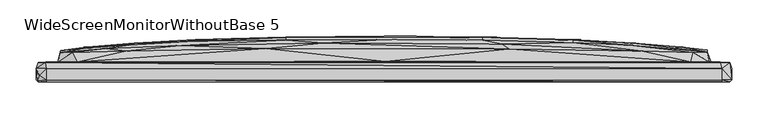
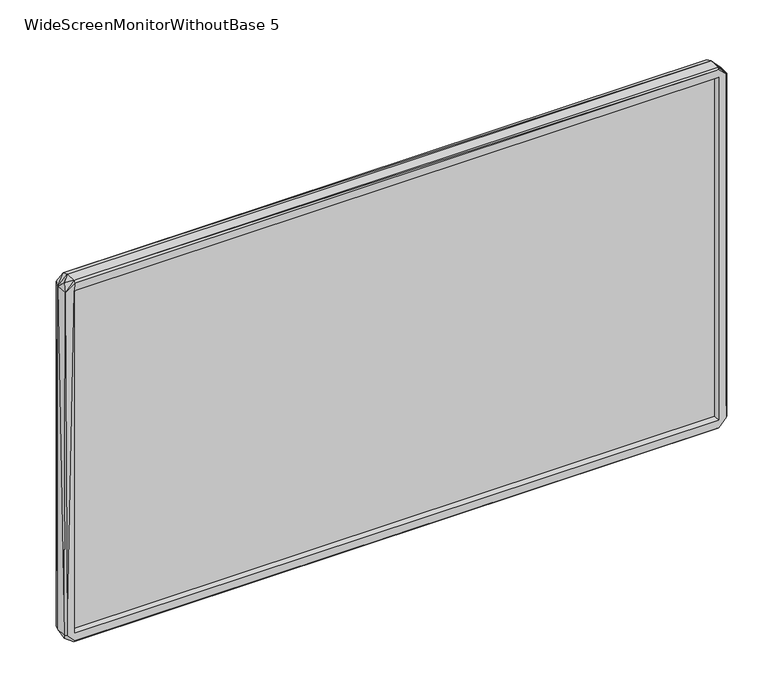
"""IFC4 building model written with IfcOpenShell, lengths in millimetres: furniture geometry, WideScreenMonitorWithoutBase 5."""

from ifc_helpers import new_model, si_unit, origin, place, context, project, spatial, triangles, source, transform, mapped, element, save


def widescreenmonitorwithoutbase_5_53e2181e(model_context):
    return source(origin(), model_context, "Body", "Tessellation", [
        triangles([(463.3285503, 4.1465671, 17.551227), (463.3285503, 4.1464768, 535.40075), (463.3285503, 1.8465673, 17.551227), (463.3285503, 1.8464767, 535.40075), (-463.2796071, 1.8466699, 535.40075), (-463.2796071, 4.1466704, 535.40075), (-463.2796071, 4.1467607, 17.551227), (-463.2796071, 1.8467606, 17.551227)], [[1, 2, 3], [3, 2, 4], [5, 4, 2], [5, 2, 6], [7, 1, 3], [7, 3, 8], [7, 6, 1], [7, 8, 5], [7, 5, 6], [8, 3, 4], [8, 4, 5], [1, 6, 2]]),
        triangles([(-479.8060329, 14.5200973, 14.4410267), (-479.8060329, -1.2799023, 14.4410233), (-479.706039, 14.5200065, 538.7084332), (-476.9060283, 22.9200967, 13.6410267), (-476.1060408, 5.2200983, 4.5410246), (-477.0060585, 22.9200036, 540.3084083), (-477.1060524, -4.0799026, 14.241023), (-478.6060335, -2.4799943, 538.7084332), (-466.3060212, -4.0799049, 14.241023), (-466.3060212, -4.0799966, 538.7084332), (-466.0060395, -4.0799029, 2.6410228), (-466.0060395, -1.2799028, 0.0410235), (-449.8060472, 23.4200844, 48.4410249), (-418.9998608, 23.5200851, 25.7410251), (-468.7060564, 22.9200967, 3.3410277), (-466.0060395, 14.5200973, 0.0410263), (463.8052291, 22.9199037, 2.7410274), (466.2052279, -4.0800976, 2.7410226), (466.3052218, -4.0800996, 14.241023), (-463.3060226, 1.8200935, 17.5410226), (463.3052233, 1.8199002, 17.5410226), (466.2052279, -1.2800972, 0.0410235), (466.2052279, 14.5199043, 0.0410263), (-463.3060226, 7.8200929, 17.5410248), (-463.3060226, 7.8200015, 535.408453), (-463.3060226, 1.820003, 535.408453), (463.3052233, 7.8198993, 17.5410248), (-11.5504033, 7.9199563, 272.5247353), (-449.8060472, 23.4200072, 504.5084496), (-445.806037, 36.9856649, 70.7977725), (-428.3998684, 36.1856637, 33.941031), (-445.9060309, 39.1856078, 386.238234), (422.1990478, 23.5199079, 25.7410251), (-395.6998658, 37.1856617, 29.5410293), (3.0496024, 42.1855791, 29.5410316), (330.3928782, 38.9855065, 29.5410316), (427.6990754, 36.1854843, 33.4410297), (448.4052243, 23.4199004, 45.2410249), (476.9052289, 22.9198991, 14.9410268), (445.8052377, 37.0854771, 73.2977698), (450.5052415, 23.9198631, 245.6679807), (463.3052233, 7.8198079, 535.408453), (463.3052233, 1.8198097, 535.408453), (475.8052234, 4.6199002, 4.0410245), (479.8052336, -1.2801025, 14.2410241), (477.2052106, -4.0801019, 14.5410229), (466.3052218, -4.0801913, 538.7084332), (479.8052336, 14.5198986, 14.341026), (477.1052167, 22.919806, 539.5083844), (479.8052336, 14.5198066, 538.4084152), (479.6052458, -1.2801943, 539.0084513), (477.0052228, -4.0801941, 540.6083899), (-337.5936378, 47.1856327, 128.654529), (-275.5813075, 40.1856331, 29.5410316), (-160.8689053, 48.4856034, 75.9977685), (-260.4813025, 50.585616, 128.554526), (82.961951, 49.28555, 75.9977685), (281.9867123, 46.2855105, 80.4977755), (354.3929031, 46.1854849, 127.6545264), (410.0990596, 42.6854714, 144.8545122), (-445.9060309, 39.5856424, 186.1112417), (-410.099859, 44.385622, 247.8680099), (-342.5936597, 49.3856166, 203.3680009), (-135.2689145, 53.5855873, 129.3545226), (0.0496062, 54.4855596, 128.7545138), (135.2681969, 53.4855298, 127.5545234), (260.4805213, 52.5854939, 176.4112524), (445.9052316, 39.4854578, 176.811228), (445.9052316, 39.6854319, 351.1814713), (445.8052377, 36.9854037, 481.851693), (-260.4813025, 53.5856009, 203.3680009), (-135.2689145, 57.0855735, 203.3680009), (0.0496069, 58.1855427, 203.3680009), (135.2681969, 57.0855145, 203.3680009), (344.9928592, 49.1854743, 203.3680009), (410.0990596, 44.3854448, 304.1814876), (260.4805213, 54.4854779, 276.3247577), (343.7928961, 49.9854618, 276.3247577), (448.7052423, 23.4198187, 506.7084606), (-343.7936591, 49.9856026, 276.3247577), (-344.9936585, 49.1855924, 349.1814843), (-410.099859, 42.6855986, 406.4949918), (-260.4813025, 54.4855914, 276.3247577), (-135.2689145, 58.0855624, 276.3247577), (0.0496072, 59.2855346, 276.3247577), (135.2681969, 58.0855034, 276.3247577), (-260.4813025, 52.5855666, 376.2382267), (-135.2689145, 57.0855508, 349.1814843), (0.0496069, 58.18552, 349.1814843), (135.2681969, 57.0854918, 349.1814843), (260.4805213, 53.5854647, 349.1814843), (342.5928603, 49.385453, 349.1814843), (-350.8936618, 46.7855799, 417.3949805), (-135.2689145, 53.4855344, 424.9949527), (0.0496062, 54.4855051, 423.8949835), (135.2681969, 53.5854783, 423.2949474), (260.4805213, 50.5854525, 424.0949713), (337.5928748, 47.1854374, 423.8949835), (-445.7060431, 36.5855916, 491.5516823), (-280.8874879, 46.2855605, 472.5517156), (-383.6998715, 41.8855793, 473.6516848), (-83.3627532, 49.2855182, 476.6516833), (162.3681961, 48.3854687, 476.6516833), (355.8928843, 38.4854143, 523.2084346), (426.6990274, 36.1854026, 519.3084546), (-430.2060445, 36.185582, 517.608413), (-356.2936592, 38.4855642, 523.2084346), (-163.2689042, 41.6855233, 523.2084346), (172.7681972, 41.5854522, 523.2084346), (-475.8060227, 4.6200035, 548.9084284), (-466.3060212, 14.5200008, 552.8084084), (-467.206039, 22.9199991, 550.0084339), (-466.1060334, -1.2799994, 552.9084386), (-466.1060334, -4.0799988, 550.2083854), (-422.999871, 23.5199965, 526.9083904), (1.8495987, 24.3199068, 527.5084265), (464.205241, 22.919806, 550.2083854), (466.2052279, 14.5198066, 552.8084084), (466.0052402, -4.0801936, 550.3084156), (466.1052341, -1.2801937, 552.9084386), (422.8990414, 23.5198216, 527.1084146)], [[1, 2, 3], [1, 4, 5], [1, 5, 2], [1, 3, 6], [1, 6, 4], [2, 7, 8], [2, 5, 7], [2, 8, 3], [7, 9, 10], [7, 11, 9], [7, 5, 12], [7, 12, 11], [7, 10, 8], [4, 13, 14], [4, 14, 15], [4, 6, 13], [4, 15, 5], [5, 15, 16], [5, 16, 12], [15, 14, 17], [15, 17, 16], [9, 11, 18], [9, 18, 19], [9, 20, 10], [9, 21, 20], [9, 19, 21], [11, 12, 22], [11, 22, 18], [12, 16, 23], [12, 23, 22], [16, 17, 23], [20, 21, 24], [20, 24, 25], [20, 26, 10], [20, 25, 26], [24, 21, 27], [24, 27, 28], [24, 28, 25], [13, 6, 29], [13, 30, 31], [13, 32, 30], [13, 29, 32], [13, 31, 14], [14, 33, 17], [14, 31, 34], [14, 34, 35], [14, 35, 33], [33, 35, 36], [33, 36, 37], [33, 37, 38], [33, 38, 39], [33, 39, 17], [38, 40, 41], [38, 37, 40], [38, 41, 39], [27, 21, 42], [27, 42, 28], [21, 19, 43], [21, 43, 42], [17, 39, 23], [23, 39, 44], [23, 44, 22], [22, 44, 45], [22, 45, 18], [18, 46, 19], [18, 45, 46], [19, 47, 43], [19, 46, 47], [44, 39, 48], [44, 48, 45], [39, 41, 49], [39, 49, 50], [39, 50, 48], [46, 51, 52], [46, 52, 47], [46, 45, 51], [45, 48, 50], [45, 50, 51], [31, 30, 53], [31, 53, 34], [34, 54, 35], [34, 55, 54], [34, 53, 56], [34, 56, 55], [54, 55, 35], [35, 55, 57], [35, 57, 36], [36, 57, 58], [36, 58, 37], [37, 58, 59], [37, 59, 60], [37, 60, 40], [30, 61, 62], [30, 62, 63], [30, 63, 53], [30, 32, 61], [55, 56, 64], [55, 64, 65], [55, 65, 57], [57, 65, 66], [57, 66, 58], [58, 66, 67], [58, 67, 59], [40, 68, 69], [40, 69, 70], [40, 60, 68], [40, 70, 41], [53, 63, 71], [53, 71, 56], [56, 71, 72], [56, 72, 64], [64, 72, 73], [64, 73, 65], [65, 73, 74], [65, 74, 66], [66, 74, 67], [59, 67, 75], [59, 75, 60], [60, 75, 76], [60, 76, 68], [61, 32, 62], [67, 74, 77], [67, 77, 78], [67, 78, 75], [68, 76, 69], [41, 70, 79], [41, 79, 49], [62, 80, 63], [62, 81, 80], [62, 32, 82], [62, 82, 81], [63, 80, 83], [63, 83, 71], [71, 83, 84], [71, 84, 72], [72, 84, 85], [72, 85, 73], [73, 85, 86], [73, 86, 74], [74, 86, 77], [75, 78, 76], [28, 42, 25], [80, 81, 87], [80, 87, 83], [83, 88, 84], [83, 87, 88], [84, 88, 89], [84, 89, 85], [85, 89, 90], [85, 90, 86], [86, 90, 91], [86, 91, 77], [77, 91, 92], [77, 92, 78], [78, 92, 76], [81, 82, 93], [81, 93, 87], [88, 87, 94], [88, 94, 95], [88, 95, 89], [89, 95, 96], [89, 96, 90], [90, 96, 97], [90, 97, 91], [91, 97, 98], [91, 98, 92], [92, 98, 70], [92, 70, 76], [76, 70, 69], [32, 29, 99], [32, 99, 82], [87, 93, 100], [87, 100, 94], [82, 99, 101], [82, 101, 93], [93, 101, 100], [94, 100, 102], [94, 102, 95], [95, 102, 103], [95, 103, 96], [96, 103, 97], [97, 103, 104], [97, 104, 98], [98, 104, 105], [98, 105, 70], [99, 29, 106], [99, 106, 101], [101, 106, 107], [101, 107, 100], [100, 107, 108], [100, 108, 102], [102, 108, 109], [102, 109, 103], [103, 109, 104], [70, 105, 79], [3, 110, 111], [3, 111, 112], [3, 112, 6], [3, 8, 110], [8, 113, 110], [8, 114, 113], [8, 10, 114], [6, 112, 115], [6, 115, 29], [110, 113, 111], [112, 116, 115], [112, 117, 116], [112, 111, 118], [112, 118, 117], [10, 26, 47], [10, 119, 114], [10, 47, 119], [111, 113, 118], [113, 120, 118], [113, 114, 119], [113, 119, 120], [26, 25, 43], [26, 43, 47], [25, 42, 43], [29, 115, 106], [115, 116, 108], [115, 107, 106], [115, 108, 107], [116, 117, 121], [116, 121, 109], [116, 109, 108], [121, 79, 105], [121, 104, 109], [121, 105, 104], [121, 117, 49], [121, 49, 79], [117, 118, 49], [119, 52, 120], [119, 47, 52], [120, 52, 51], [120, 51, 118], [118, 51, 49], [49, 51, 50]]),
    ])


if __name__ == "__main__":
    model = new_model("IFC4")
    model_context = context("Model", 3, world=origin())
    ifc_project = project(units=[si_unit("LENGTHUNIT", "METRE", prefix="MILLI")], contexts=[model_context])
    site = spatial("IfcSite", under=ifc_project)
    building = spatial("IfcBuilding", under=site)
    placement = place(None, origin())
    widescreenmonitorwithoutbase_5_shape = widescreenmonitorwithoutbase_5_53e2181e(model_context)
    element("IfcFurniture", 1, ObjectType="WideScreenMonitorWithoutBase 5", at=placement, inside=building, context=model_context, shape_type="MappedRepresentation", body=[
        mapped(widescreenmonitorwithoutbase_5_shape, transform((0.0, 0.0, 0.0), x_axis=(1.0, 0.0, 0.0), y_axis=(0.0, 1.0, 0.0), z_axis=(0.0, 0.0, 1.0))),
    ])
    save(model, "model.ifc")
